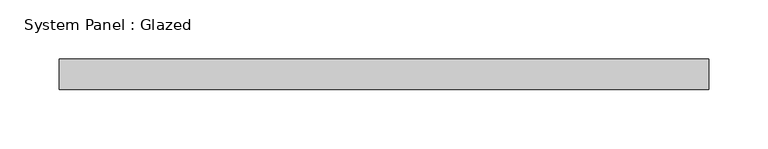
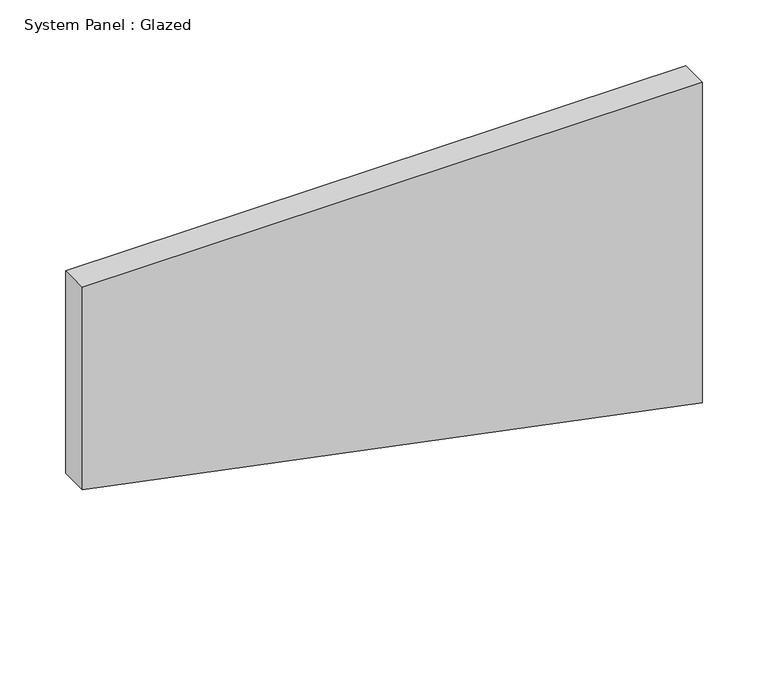
"""IFC4 building model written with IfcOpenShell, lengths in millimetres: plate geometry, System Panel : Glazed."""

from ifc_helpers import new_model, si_unit, frame, origin, place, context, project, spatial, polyline, outline, extrude, source, transform, mapped, element, save


def system_panel_glazed_d4b0c418(model_context):
    return source(origin(), model_context, "Body", "SweptSolid", [
        extrude(outline(polyline([(110.2263694, -273.05), (0.0, 273.05), (298.4687634, 273.05), (298.4687634, -273.05), (110.2263694, -273.05)])), frame((0.0, 19.05, 0.0), z_axis=(0.0, 1.0, 0.0), x_axis=(0.0, 0.0, 1.0)), (0.0, 0.0, 1.0), 25.4),
    ])


if __name__ == "__main__":
    model = new_model("IFC4")
    model_context = context("Model", 3, world=origin())
    ifc_project = project(units=[si_unit("LENGTHUNIT", "METRE", prefix="MILLI")], contexts=[model_context])
    site = spatial("IfcSite", under=ifc_project)
    building = spatial("IfcBuilding", under=site)
    placement = place(None, origin())
    system_panel_glazed_shape = system_panel_glazed_d4b0c418(model_context)
    element("IfcPlate", 1, ObjectType="System Panel : Glazed", at=placement, inside=building, context=model_context, shape_type="MappedRepresentation", body=[
        mapped(system_panel_glazed_shape, transform((0.0, 0.0, 0.0), x_axis=(1.0, 0.0, 0.0), y_axis=(0.0, 1.0, 0.0), z_axis=(0.0, 0.0, 1.0))),
    ])
    save(model, "model.ifc")
